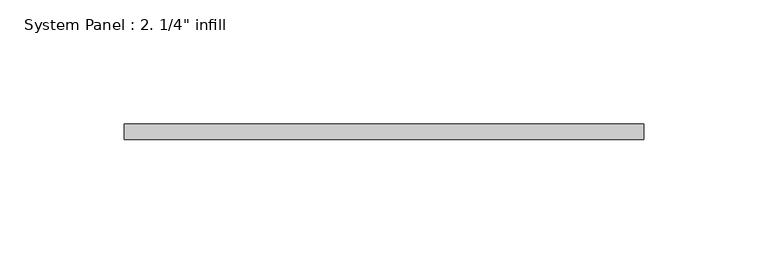
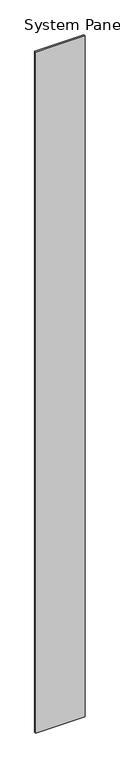
"""IFC4 building model written with IfcOpenShell, lengths in millimetres: plate geometry."""

from ifc_helpers import new_model, si_unit, origin, origin_with_axes, place, context, project, spatial, polyline, outline, extrude, source, transform, mapped, element, save


def plate_855e5786(model_context):
    return source(origin(), model_context, "Body", "SweptSolid", [
        extrude(outline(polyline([(104.775, -6.35), (-104.775, -6.35), (-104.775, 0.0), (104.775, 0.0), (104.775, -6.35)])), origin_with_axes(), (0.0, 0.0, 1.0), 3048.0),
    ])


if __name__ == "__main__":
    model = new_model("IFC4")
    model_context = context("Model", 3, world=origin())
    ifc_project = project(units=[si_unit("LENGTHUNIT", "METRE", prefix="MILLI")], contexts=[model_context])
    site = spatial("IfcSite", under=ifc_project)
    building = spatial("IfcBuilding", under=site)
    placement = place(None, origin())
    plate_shape = plate_855e5786(model_context)
    element("IfcPlate", 1, ObjectType="System Panel : 2. 1/4\" infill", at=placement, inside=building, context=model_context, shape_type="MappedRepresentation", body=[
        mapped(plate_shape, transform((0.0, 0.0, 0.0), x_axis=(1.0, 0.0, 0.0), y_axis=(0.0, 1.0, 0.0), z_axis=(0.0, 0.0, 1.0))),
    ])
    save(model, "model.ifc")
